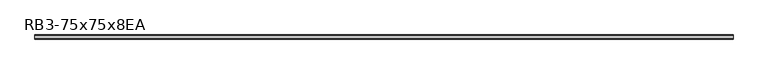
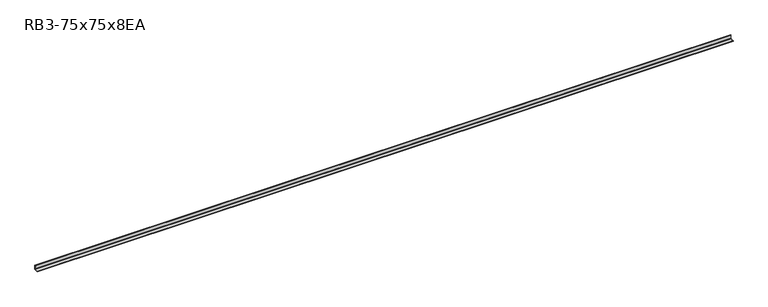
"""IFC4 building model written with IfcOpenShell, lengths in millimetres: member geometry, RB3-75x75x8EA."""

from ifc_helpers import new_model, si_unit, point, frame, frame_2d, origin, place, context, project, spatial, polyline, circle_curve, trimmed, segment, composite_curve, outline, extrude, source, transform, mapped, element, save


def rb3_75x75x8ea_6ba7100c(model_context):
    return source(origin(), model_context, "Body", "SweptSolid", [
        extrude(outline(composite_curve([segment(polyline([(21.3, -21.3), (-53.7, -21.3), (-53.7, -18.3)]), True, "CONTINUOUS"), segment(trimmed(circle_curve(frame_2d((-48.7, -18.3)), 5.0), [point((-53.7, -18.3))], [point((-48.7, -13.3))], False, "CARTESIAN"), True, "CONTINUOUS"), segment(polyline([(-48.7, -13.3), (5.3, -13.3)]), True, "CONTINUOUS"), segment(trimmed(circle_curve(frame_2d((5.3, -5.3)), 8.0), [point((5.3, -13.3))], [point((13.3, -5.3))], True, "CARTESIAN"), True, "CONTINUOUS"), segment(polyline([(13.3, -5.3), (13.3, 48.7)]), True, "CONTINUOUS"), segment(trimmed(circle_curve(frame_2d((18.3, 48.7)), 5.0), [point((13.3, 48.7))], [point((18.3, 53.7))], False, "CARTESIAN"), True, "CONTINUOUS"), segment(polyline([(18.3, 53.7), (21.3, 53.7), (21.3, -21.3)]), True, "CONTINUOUS")], self_intersect=False)), frame((-6443.5, 0.0, 0.0), z_axis=(1.0, 0.0, 0.0), x_axis=(0.0, 1.0, 0.0)), (0.0, 0.0, 1.0), 12597.0),
    ])


if __name__ == "__main__":
    model = new_model("IFC4")
    model_context = context("Model", 3, world=origin())
    ifc_project = project(units=[si_unit("LENGTHUNIT", "METRE", prefix="MILLI")], contexts=[model_context])
    site = spatial("IfcSite", under=ifc_project)
    building = spatial("IfcBuilding", under=site)
    placement = place(None, origin())
    rb3_75x75x8ea_shape = rb3_75x75x8ea_6ba7100c(model_context)
    element("IfcMember", 1, ObjectType="RB3-75x75x8EA", at=placement, inside=building, context=model_context, shape_type="MappedRepresentation", body=[
        mapped(rb3_75x75x8ea_shape, transform((0.0, 0.0, 0.0), x_axis=(1.0, 0.0, 0.0), y_axis=(0.0, 1.0, 0.0), z_axis=(0.0, 0.0, 1.0))),
    ])
    save(model, "model.ifc")
